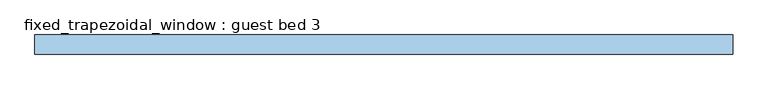
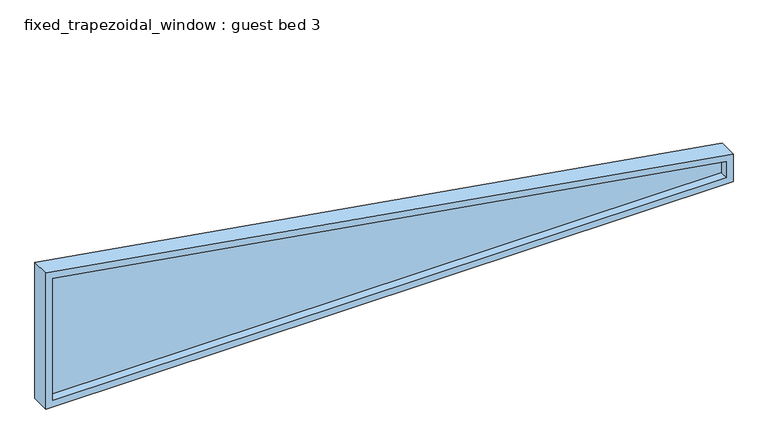
"""IFC4 building model written with IfcOpenShell, lengths in millimetres: window geometry, fixed_trapezoidal_window : guest bed 3."""

from ifc_helpers import new_model, si_unit, frame, origin, place, context, project, spatial, polyline, outline, extrude, source, transform, mapped, element, save


def fixed_trapezoidal_window_guest_bed_3_d0843c4c(model_context):
    return source(origin(), model_context, "Body", "SweptSolid", [
        extrude(outline(polyline([(1270.0, -2533.65), (1270.0, 2457.45), (1394.1826106, 2457.45), (2226.0326106, -2533.65), (1270.0, -2533.65)])), frame((0.0, -6.35, 0.0), z_axis=(0.0, 1.0, 0.0), x_axis=(0.0, 0.0, 1.0)), (0.0, 0.0, 1.0), 12.7),
        extrude(outline(polyline([(1219.2, 2508.25), (1437.2166667, 2508.25), (2286.0, -2584.45), (1219.2, -2584.45), (1219.2, 2508.25)]), holes=[polyline([(1270.0, 2457.45), (1270.0, -2533.65), (2226.0326106, -2533.65), (1394.1826106, 2457.45), (1270.0, 2457.45)])]), frame((0.0, -69.85, 0.0), z_axis=(0.0, 1.0, 0.0), x_axis=(0.0, 0.0, 1.0)), (0.0, 0.0, 1.0), 139.7),
    ])


if __name__ == "__main__":
    model = new_model("IFC4")
    model_context = context("Model", 3, world=origin())
    ifc_project = project(units=[si_unit("LENGTHUNIT", "METRE", prefix="MILLI")], contexts=[model_context])
    site = spatial("IfcSite", under=ifc_project)
    building = spatial("IfcBuilding", under=site)
    placement = place(None, origin())
    fixed_trapezoidal_window_guest_bed_3_shape = fixed_trapezoidal_window_guest_bed_3_d0843c4c(model_context)
    element("IfcWindow", 1, ObjectType="fixed_trapezoidal_window : guest bed 3", at=placement, inside=building, context=model_context, shape_type="MappedRepresentation", body=[
        mapped(fixed_trapezoidal_window_guest_bed_3_shape, transform((0.0, 0.0, 0.0), x_axis=(1.0, 0.0, 0.0), y_axis=(0.0, 1.0, 0.0), z_axis=(0.0, 0.0, 1.0))),
    ])
    save(model, "model.ifc")
